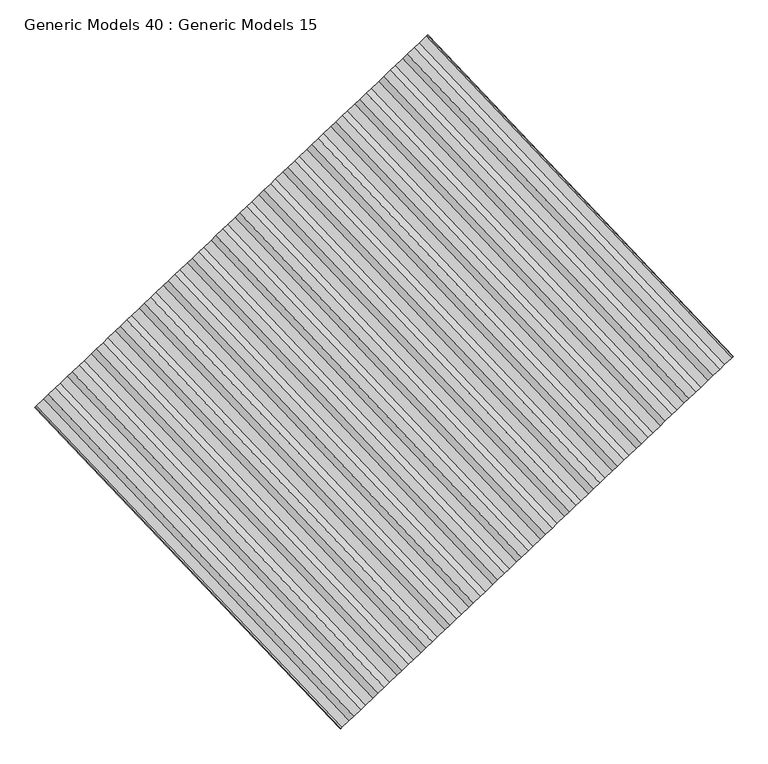
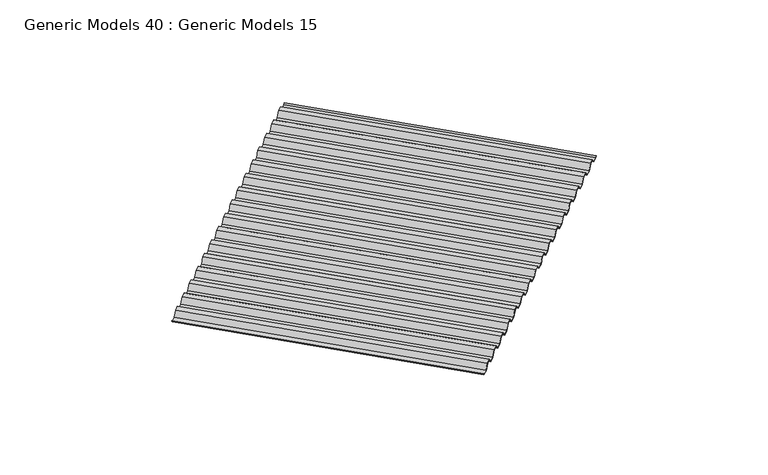
"""IFC4 building model written with IfcOpenShell, lengths in millimetres: proxy geometry, Generic Models 40 : Generic Models 15."""

from ifc_helpers import new_model, si_unit, frame, origin, place, context, project, spatial, polyline, outline, extrude, source, transform, mapped, element, save


def generic_models_40_generic_models_15_3c78f9e8(model_context):
    return source(origin(), model_context, "Body", "SweptSolid", [
        extrude(outline(polyline([(231.5768689, -0.8929687), (219.856654, -14.2875), (203.7832165, -14.2875), (192.0630017, -0.8929687), (174.4268689, -0.8929687), (162.706654, -14.2875), (146.6332165, -14.2875), (134.9130017, -0.8929687), (117.2768689, -0.8929687), (105.556654, -14.2875), (89.4832165, -14.2875), (77.7630017, -0.8929687), (60.1268689, -0.8929687), (48.406654, -14.2875), (32.3332165, -14.2875), (20.6130017, -0.8929687), (3.7582165, -0.8929687), (0.6328259, -4.4648437), (0.0, -3.8320179), (3.3530157, 0.0), (21.0182025, 0.0), (32.7384174, -13.3945312), (48.0014531, -13.3945312), (59.721668, 0.0), (78.1682025, 0.0), (89.8884174, -13.3945312), (105.1514531, -13.3945312), (116.871668, 0.0), (135.3182025, 0.0), (147.0384174, -13.3945312), (162.3014531, -13.3945312), (174.021668, 0.0), (192.4682025, 0.0), (204.1884174, -13.3945312), (219.4514531, -13.3945312), (231.171668, 0.0), (249.6182025, 0.0), (261.3384174, -13.3945312), (276.6014531, -13.3945312), (288.321668, 0.0), (306.7682025, 0.0), (318.4884174, -13.3945312), (333.7514531, -13.3945312), (345.471668, 0.0), (363.9182025, 0.0), (375.6384174, -13.3945312), (390.9014532, -13.3945312), (402.621668, 0.0), (421.0682026, 0.0), (432.7884174, -13.3945312), (448.0514532, -13.3945312), (459.771668, 0.0), (478.2182026, 0.0), (489.9384174, -13.3945312), (505.2014532, -13.3945312), (516.921668, 0.0), (535.3682026, 0.0), (547.0884174, -13.3945312), (562.3514532, -13.3945312), (574.071668, 0.0), (592.5182026, 0.0), (604.2384174, -13.3945312), (619.5014532, -13.3945312), (631.221668, 0.0), (649.6682026, 0.0), (661.3884174, -13.3945312), (676.6514532, -13.3945312), (688.371668, 0.0), (706.8182025, 0.0), (718.5384174, -13.3945312), (733.8014532, -13.3945312), (745.521668, 0.0), (763.9682025, 0.0), (775.6884174, -13.3945312), (790.9514532, -13.3945312), (802.671668, 0.0), (821.1182025, 0.0), (832.8384174, -13.3945312), (848.1014532, -13.3945312), (859.821668, 0.0), (878.2682025, 0.0), (889.9884174, -13.3945312), (905.2514532, -13.3945312), (916.971668, 0.0), (934.6368548, 0.0), (937.9898705, -3.8320179), (937.3570446, -4.4648437), (934.231654, -0.8929687), (917.3768689, -0.8929687), (905.656654, -14.2875), (889.5832165, -14.2875), (877.8630017, -0.8929687), (860.2268689, -0.8929687), (848.506654, -14.2875), (832.4332165, -14.2875), (820.7130017, -0.8929687), (803.0768689, -0.8929687), (791.3566541, -14.2875), (775.2832165, -14.2875), (763.5630017, -0.8929687), (745.9268688, -0.8929687), (734.2066541, -14.2875), (718.1332165, -14.2875), (706.4130017, -0.8929687), (688.7768688, -0.8929687), (677.0566541, -14.2875), (660.9832165, -14.2875), (649.2630017, -0.8929687), (631.6268688, -0.8929687), (619.9066541, -14.2875), (603.8332165, -14.2875), (592.1130017, -0.8929687), (574.4768688, -0.8929687), (562.7566541, -14.2875), (546.6832165, -14.2875), (534.9630017, -0.8929687), (517.3268688, -0.8929687), (505.6066541, -14.2875), (489.5332165, -14.2875), (477.8130017, -0.8929687), (460.1768689, -0.8929687), (448.4566541, -14.2875), (432.3832165, -14.2875), (420.6630017, -0.8929687), (403.0268689, -0.8929687), (391.3066541, -14.2875), (375.2332165, -14.2875), (363.5130017, -0.8929687), (345.8768689, -0.8929687), (334.1566541, -14.2875), (318.0832165, -14.2875), (306.3630017, -0.8929687), (288.7268689, -0.8929687), (277.0066541, -14.2875), (260.9332165, -14.2875), (249.2130017, -0.8929687), (231.5768689, -0.8929687)])), frame((108785.9631741, 48030.8782301, 17743.4875), z_axis=(-0.6883545756937425, 0.7253743710122986, 0.0), x_axis=(0.7253743710122986, 0.6883545756937425, 0.0)), (0.0, 0.0, 1.0), 768.35),
    ])


if __name__ == "__main__":
    model = new_model("IFC4")
    model_context = context("Model", 3, world=origin())
    ifc_project = project(units=[si_unit("LENGTHUNIT", "METRE", prefix="MILLI")], contexts=[model_context])
    site = spatial("IfcSite", under=ifc_project)
    building = spatial("IfcBuilding", under=site)
    placement = place(None, origin())
    generic_models_40_generic_models_15_shape = generic_models_40_generic_models_15_3c78f9e8(model_context)
    element("IfcBuildingElementProxy", 1, Name="Generic Models 40 : Generic Models 15", ObjectType="Generic Models 40 : Generic Models 15", at=placement, inside=building, context=model_context, shape_type="MappedRepresentation", body=[
        mapped(generic_models_40_generic_models_15_shape, transform((0.0, 0.0, 0.0), x_axis=(1.0, 0.0, 0.0), y_axis=(0.0, 1.0, 0.0), z_axis=(0.0, 0.0, 1.0))),
    ])
    save(model, "model.ifc")
